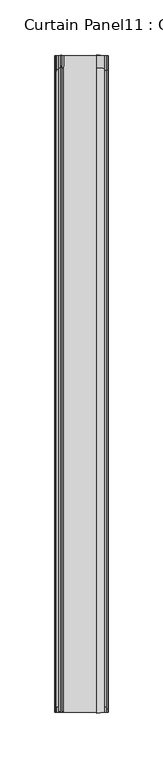
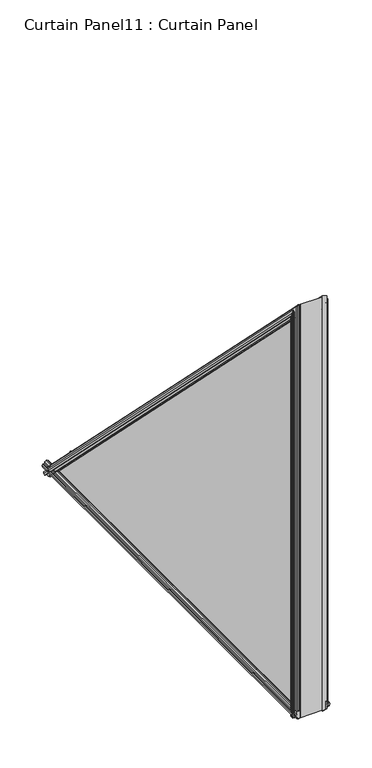
"""IFC4 building model written with IfcOpenShell, lengths in millimetres: plate geometry, Curtain Panel11 : Curtain Panel."""

from ifc_helpers import new_model, si_unit, point, frame, frame_2d, origin, place, context, project, spatial, polyline, circle_curve, ellipse_curve, trimmed, segment, composite_curve, outline, extrude, faceted_brep, source, transform, mapped, element, save
from ifc_brep_helpers import plane_surface, cylinder_surface, advanced_brep


def curtain_panel11_curtain_panel_47724803(model_context):
    return source(origin(), model_context, "Body", "SolidModel", [
        extrude(outline(polyline([(1683.2265255, -5186.9339704), (1684.4190255, -5193.6649704), (1670.9088255, -5193.6649704), (1672.1013255, -5186.9339704), (1676.3939255, -5186.9339704), (1676.8765255, -5184.2161704), (1675.3271255, -5184.4701704), (1675.3271255, -5183.6573704), (1677.6639255, -5183.2509704), (1680.0007255, -5183.6573704), (1680.0007255, -5184.4701704), (1678.4513255, -5184.2161704), (1678.9339255, -5186.9339704), (1683.2265255, -5186.9339704)])), frame((0.0, 5111.3187652, 0.0), z_axis=(0.0, 1.0, 0.0), x_axis=(0.0, 0.0, 1.0)), (0.0, 0.0, 1.0), 601.7704697),
        extrude(outline(composite_curve([segment(polyline([(1671.7897384, -5225.529536), (1672.1520128, -5223.8147704), (1681.7024128, -5223.8147704), (1682.0646872, -5225.529536)]), True, "CONTINUOUS"), segment(trimmed(circle_curve(frame_2d((1682.0834128, -5226.1896704)), 0.6604), [point((1682.0646872, -5225.529536))], [point((1682.1043263, -5226.8497392))], False, "CARTESIAN"), True, "CONTINUOUS"), segment(polyline([(1682.1043263, -5226.8497392), (1681.7024128, -5228.5645704), (1678.1972128, -5228.5645704), (1677.7146128, -5231.2823704), (1679.2640128, -5231.0283704), (1679.2640128, -5231.8411704), (1676.9272128, -5232.2475704), (1674.5904128, -5231.8411704), (1674.5904128, -5231.0283704), (1676.1398128, -5231.2823704), (1675.6572128, -5228.5645704), (1672.1520128, -5228.5645704), (1671.7500992, -5226.8497392)]), True, "CONTINUOUS"), segment(trimmed(circle_curve(frame_2d((1671.7710128, -5226.1896704)), 0.6604), [point((1671.7500992, -5226.8497392))], [point((1671.7897384, -5225.529536))], False, "CARTESIAN"), True, "CONTINUOUS")], self_intersect=False)), frame((0.0, 5111.3187652, 0.0), z_axis=(0.0, 1.0, 0.0), x_axis=(0.0, 0.0, 1.0)), (0.0, 0.0, 1.0), 601.7704697),
        advanced_brep(
        [(-5231.4217652, 5116.2080035, 1672.0963604), (-5231.1434642, 5114.6296803, 1672.0963604), (-5231.9562642, 5114.6296803, 1672.0963604), (-5232.3626642, 5116.9664786, 1672.0963604), (-5231.9562642, 5119.303277, 1672.0963604), (-5231.1434642, 5119.303277, 1672.0963604), (-5231.3974642, 5117.7538781, 1672.0963604), (-5228.6796642, 5118.2364778, 1672.0963604), (-5228.6796642, 5121.7416753, 1672.0963604), (-5226.9649969, 5122.1375374, 1672.0963604), (-5225.6446297, 5122.1039495, 1672.0963604), (-5223.9298642, 5121.7416753, 1672.0963604), (-5223.9298642, 5112.191282, 1672.0963604), (-5225.6446297, 5111.8290078, 1672.0963604), (-5226.9649969, 5111.7954199, 1672.0963604), (-5228.6796642, 5112.191282, 1672.0963604), (-5228.6796642, 5115.7244972, 1672.0963604), (-5231.4217652, 5709.6320213, 1668.6391468), (-5228.6796642, 5709.9739119, 1668.9810375), (-5228.6796642, 5712.4722723, 1671.4793979), (-5226.9649969, 5712.7521891, 1671.7593147), (-5225.6446297, 5712.7284389, 1671.7355644), (-5223.9298642, 5712.4722723, 1671.4793979), (-5223.9298642, 5705.7191245, 1664.72625), (-5225.6446297, 5705.4629579, 1664.4700835), (-5226.9649969, 5705.4392077, 1664.4463332), (-5228.6796642, 5705.7191245, 1664.72625), (-5228.6796642, 5708.1976734, 1667.204799), (-5231.3974642, 5708.5389229, 1667.5460485), (-5231.1434642, 5707.4433324, 1666.450458), (-5231.9562642, 5707.4433324, 1666.450458), (-5232.3626642, 5709.0956984, 1668.102824), (-5231.9562642, 5710.7480644, 1669.7551899), (-5231.1434642, 5710.7480644, 1669.7551899), (-5231.1434642, 5114.6296803, 2265.873574), (-5231.4217652, 5116.2080035, 2262.0631646), (-5231.9562642, 5114.6296803, 2265.873574), (-5232.3626642, 5116.9664786, 2260.2320437), (-5231.9562642, 5119.303277, 2254.5905134), (-5231.1434642, 5119.303277, 2254.5905134), (-5231.3974642, 5117.7538781, 2258.3310933), (-5228.6796642, 5118.2364778, 2257.1659946), (-5226.9649969, 5122.1375374, 2247.7480034), (-5228.6796642, 5121.7416753, 2248.7036992), (-5225.6446297, 5122.1039495, 2247.829092), (-5223.9298642, 5121.7416753, 2248.7036992), (-5225.6446297, 5111.8290078, 2272.6349954), (-5223.9298642, 5112.191282, 2271.7603882), (-5226.9649969, 5111.7954199, 2272.716084), (-5228.6796642, 5112.191282, 2271.7603882), (-5228.6796642, 5115.7244972, 2263.2304522)],
        [
            (0, 1),
            (1, 2),
            (2, 3),
            (3, 4),
            (4, 5),
            (5, 6),
            (6, 7),
            (7, 8),
            (8, 9),
            (9, 10, circle_curve(frame((-5226.3047642, 5122.122675, 1672.0963604), z_axis=(0.0, 0.0, -1.0), x_axis=(-1.0, 0.0, 0.0)), 0.6604)),
            (10, 11),
            (11, 12),
            (12, 13),
            (13, 14, circle_curve(frame((-5226.3047642, 5111.8102823, 1672.0963604), z_axis=(0.0, 0.0, -1.0), x_axis=(-1.0, 0.0, 0.0)), 0.6604)),
            (14, 15),
            (15, 16),
            (16, 0),
            (17, 18),
            (18, 19),
            (19, 20),
            (20, 21, circle_curve(frame((-5226.3047642, 5712.7416798, 1671.7488054), z_axis=(0.0, 0.7071067811865549, -0.7071067811865401), x_axis=(-1.0, 0.0, 0.0)), 0.6604)),
            (21, 22),
            (22, 23),
            (23, 24),
            (24, 25, circle_curve(frame((-5226.3047642, 5705.449717, 1664.4568425), z_axis=(0.0, 0.7071067811865549, -0.7071067811865401), x_axis=(-1.0, 0.0, 0.0)), 0.6604)),
            (25, 26),
            (26, 27),
            (27, 28),
            (28, 29),
            (29, 30),
            (30, 31),
            (31, 32),
            (32, 33),
            (33, 17),
            (34, 35),
            (35, 17),
            (33, 34),
            (36, 34),
            (32, 36),
            (37, 36),
            (31, 37),
            (38, 37),
            (30, 38),
            (39, 38),
            (29, 39),
            (40, 39),
            (28, 40),
            (41, 40),
            (27, 41),
            (42, 43),
            (43, 26),
            (25, 42),
            (44, 42, ellipse_curve(frame((-5226.3047642, 5122.122675, 2247.7838845), z_axis=(0.0, 0.9238795325112846, 0.3826834323650946), x_axis=(0.0, -0.3826834323650946, 0.9238795325112847)), 1.7257084, 0.6604)),
            (24, 44),
            (45, 44),
            (23, 45),
            (46, 47),
            (47, 22),
            (21, 46),
            (48, 46, ellipse_curve(frame((-5226.3047642, 5111.8102823, 2272.6802029), z_axis=(0.0, 0.9238795325112846, 0.3826834323650946), x_axis=(0.0, -0.3826834323650946, 0.9238795325112847)), 1.7257084, 0.6604)),
            (20, 48),
            (49, 48),
            (19, 49),
            (35, 50),
            (50, 18),
            (0, 35),
            (34, 1),
            (36, 2),
            (37, 3),
            (38, 4),
            (39, 5),
            (40, 6),
            (41, 7),
            (43, 8),
            (42, 9),
            (44, 10),
            (45, 11),
            (47, 12),
            (46, 13),
            (48, 14),
            (49, 15),
            (50, 16),
        ],
        [
            plane_surface(frame((-5223.9425642, 5111.3187652, 1672.0963604), z_axis=(0.0, 0.0, -1.0), x_axis=(-1.0, 0.0, 0.0))),
            plane_surface(frame((-5223.9425642, 5713.0892349, 1672.0963604), z_axis=(0.0, 0.7071067811865547, -0.7071067811865404), x_axis=(-1.0, 0.0, 0.0))),
            plane_surface(frame((-5231.4217652, 5116.2080035, 2262.0631646), z_axis=(0.984807753012193, -0.12278780396903337, -0.12278780396903421), x_axis=(0.0, 0.7071067811865551, -0.7071067811865399))),
            plane_surface(frame((-5231.1434642, 5114.6296803, 2265.873574), z_axis=(0.0, 0.70710678118654, 0.7071067811865551), x_axis=(0.0, 0.7071067811865551, -0.70710678118654))),
            plane_surface(frame((-5231.9562642, 5114.6296803, 2265.873574), z_axis=(-0.9852117345923344, 0.12115658880466175, 0.12115658880466257), x_axis=(0.0, 0.7071067811865551, -0.70710678118654))),
            plane_surface(frame((-5232.3626642, 5116.9664786, 2260.2320437), z_axis=(-0.9852117345923413, -0.12115658880463163, -0.12115658880463565), x_axis=(0.0, 0.707106781186554, -0.7071067811865411))),
            plane_surface(frame((-5231.9562642, 5119.303277, 2254.5905134), z_axis=(0.0, -0.70710678118654, -0.707106781186555), x_axis=(0.0, 0.707106781186555, -0.70710678118654))),
            plane_surface(frame((-5231.1434642, 5119.303277, 2254.5905134), z_axis=(0.9868276470441842, 0.11439229657026304, 0.11439229657026727), x_axis=(0.0, 0.707106781186555, -0.70710678118654))),
            plane_surface(frame((-5231.3974642, 5117.7538781, 2258.3310933), z_axis=(-0.1748349918844013, -0.6962157444401708, -0.6962157444401847), x_axis=(0.0, 0.7071067811865546, -0.7071067811865406))),
            plane_surface(frame((-5228.6796642, 5121.7416753, 2248.7036992), z_axis=(-0.22495105434371432, -0.6889836801948329, -0.6889836801948475), x_axis=(0.0, 0.7071067811865548, -0.7071067811865404))),
            cylinder_surface(frame((-5226.3047642, 5103.6792473, 2266.2273123), z_axis=(0.0, -0.7071067811865549, 0.7071067811865401), x_axis=(-1.0, 0.0, 0.0)), 0.6604),
            plane_surface(frame((-5225.6446297, 5122.1039495, 2247.829092), z_axis=(0.2067047901404534, -0.6918356487392698, -0.6918356487392832), x_axis=(0.0, 0.7071067811865546, -0.7071067811865405))),
            plane_surface(frame((-5223.9298642, 5112.191282, 2271.7603882), z_axis=(0.20670479098948935, 0.6918356486124332, 0.6918356486124472), x_axis=(0.0, 0.7071067811865545, -0.7071067811865407))),
            cylinder_surface(frame((-5226.3047642, 5110.9712101, 2273.5192751), z_axis=(0.0, -0.7071067811865549, 0.7071067811865401), x_axis=(-1.0, 0.0, 0.0)), 0.6604),
            plane_surface(frame((-5226.9649969, 5111.7954199, 2272.716084), z_axis=(-0.22495105434392404, 0.6889836801947989, 0.6889836801948128), x_axis=(0.0, 0.7071067811865549, -0.7071067811865402))),
            plane_surface(frame((-5228.6796642, 5115.7244972, 2263.2304522), z_axis=(-0.17364817766687712, 0.6963642403200186, 0.6963642403200327), x_axis=(0.0, 0.7071067811865548, -0.7071067811865402))),
            plane_surface(frame((-5231.4217652, 5116.2080035, 1672.0963604), z_axis=(0.9848077530121935, 0.17364817766701346, 0.0), x_axis=(0.0, 0.0, 1.0))),
            plane_surface(frame((-5231.1434642, 5114.6296803, 1672.0963604), z_axis=(0.0, -1.0, 0.0), x_axis=(0.0, 0.0, 1.0))),
            plane_surface(frame((-5231.9562642, 5114.6296803, 1672.0963604), z_axis=(-0.9852117345923348, -0.17134129105841045, 0.0), x_axis=(0.0, 0.0, 1.0))),
            plane_surface(frame((-5232.3626642, 5116.9664786, 1672.0963604), z_axis=(-0.9852117345923408, 0.17134129105837617, 0.0), x_axis=(0.0, 0.0, 1.0))),
            plane_surface(frame((-5231.9562642, 5119.303277, 1672.0963604), z_axis=(0.0, 1.0, 0.0), x_axis=(0.0, 0.0, 1.0))),
            plane_surface(frame((-5231.1434642, 5119.303277, 1672.0963604), z_axis=(0.9868276470441838, -0.16177513724067727, 0.0), x_axis=(0.0, 0.0, 1.0))),
            plane_surface(frame((-5231.3974642, 5117.7538781, 1672.0963604), z_axis=(-0.17483499188439824, 0.9845977481249805, 0.0), x_axis=(0.0, 0.0, 1.0))),
            plane_surface(frame((-5228.6796642, 5118.2364778, 1672.0963604), z_axis=(-1.0, 0.0, 0.0), x_axis=(0.0, 0.0, 1.0))),
            plane_surface(frame((-5228.6796642, 5121.7416753, 1672.0963604), z_axis=(-0.22495105434371132, 0.9743700647852708, 0.0), x_axis=(0.0, 0.0, 1.0))),
            cylinder_surface(frame((-5226.3047642, 5122.122675, 1672.0963604), z_axis=(0.0, 0.0, -1.0), x_axis=(-1.0, 0.0, 0.0)), 0.6604),
            plane_surface(frame((-5225.6446297, 5122.1039495, 1672.0963604), z_axis=(0.20670479014045645, 0.9784033573802728, 0.0), x_axis=(0.0, 0.0, 1.0))),
            plane_surface(frame((-5223.9298642, 5121.7416753, 1672.0963604), z_axis=(1.0, 0.0, 0.0), x_axis=(0.0, 0.0, 1.0))),
            plane_surface(frame((-5223.9298642, 5112.191282, 1672.0963604), z_axis=(0.20670479098948638, -0.9784033572009005, 0.0), x_axis=(0.0, 0.0, 1.0))),
            cylinder_surface(frame((-5226.3047642, 5111.8102823, 1672.0963604), z_axis=(0.0, 0.0, -1.0), x_axis=(-1.0, 0.0, 0.0)), 0.6604),
            plane_surface(frame((-5226.9649969, 5111.7954199, 1672.0963604), z_axis=(-0.22495105434392712, -0.9743700647852209, 0.0), x_axis=(0.0, 0.0, 1.0))),
            plane_surface(frame((-5228.6796642, 5112.191282, 1672.0963604), z_axis=(-1.0, 0.0, 0.0), x_axis=(0.0, 0.0, 1.0))),
            plane_surface(frame((-5228.6796642, 5115.7244972, 1672.0963604), z_axis=(-0.17364817766688018, -0.984807753012217, 0.0), x_axis=(0.0, 0.0, 1.0))),
        ],
        [
            (0, [[1, 2, 3, 4, 5, 6, 7, 8, 9, 10, 11, 12, 13, 14, 15, 16, 17]]),
            (1, [[18, 19, 20, 21, 22, 23, 24, 25, 26, 27, 28, 29, 30, 31, 32, 33, 34]]),
            (2, [[35, 36, -34, 37]]),
            (3, [[38, -37, -33, 39]]),
            (4, [[40, -39, -32, 41]]),
            (5, [[42, -41, -31, 43]]),
            (6, [[44, -43, -30, 45]]),
            (7, [[46, -45, -29, 47]]),
            (8, [[48, -47, -28, 49]]),
            (9, [[50, 51, -26, 52]]),
            (10, [[53, -52, -25, 54]]),
            (11, [[55, -54, -24, 56]]),
            (12, [[57, 58, -22, 59]]),
            (13, [[60, -59, -21, 61]]),
            (14, [[62, -61, -20, 63]]),
            (15, [[64, 65, -18, -36]]),
            (16, [[-1, 66, -35, 67]]),
            (17, [[-2, -67, -38, 68]]),
            (18, [[-3, -68, -40, 69]]),
            (19, [[-4, -69, -42, 70]]),
            (20, [[-5, -70, -44, 71]]),
            (21, [[-6, -71, -46, 72]]),
            (22, [[-7, -72, -48, 73]]),
            (23, [[-8, -73, -49, -27, -51, 74]]),
            (24, [[-9, -74, -50, 75]]),
            (25, [[-10, -75, -53, 76]]),
            (26, [[-11, -76, -55, 77]]),
            (27, [[-12, -77, -56, -23, -58, 78]]),
            (28, [[-13, -78, -57, 79]]),
            (29, [[-14, -79, -60, 80]]),
            (30, [[-15, -80, -62, 81]]),
            (31, [[-16, -81, -63, -19, -65, 82]]),
            (32, [[-17, -82, -64, -66]]),
        ],
    ),
        faceted_brep([(-5184.3069632, 5116.2080035, 1672.0963604), (-5187.0490642, 5115.7244972, 1672.0963604), (-5187.0490642, 5111.3784826, 1672.0963604), (-5193.7419642, 5110.2144991, 1672.0963604), (-5193.7419642, 5123.6792735, 1672.0963604), (-5187.0490642, 5122.4908155, 1672.0963604), (-5187.0490642, 5118.2364778, 1672.0963604), (-5184.3312642, 5117.7538781, 1672.0963604), (-5184.5852642, 5119.303277, 1672.0963604), (-5183.7724642, 5119.303277, 1672.0963604), (-5183.3660642, 5116.9664786, 1672.0963604), (-5183.7724642, 5114.6296803, 1672.0963604), (-5184.5852642, 5114.6296803, 1672.0963604), (-5184.3069632, 5709.6320213, 1668.6391468), (-5184.5852642, 5710.7480644, 1669.7551899), (-5183.7724642, 5710.7480644, 1669.7551899), (-5183.3660642, 5709.0956984, 1668.102824), (-5183.7724642, 5707.4433324, 1666.450458), (-5184.5852642, 5707.4433324, 1666.450458), (-5184.3312642, 5708.5389229, 1667.5460485), (-5187.0490642, 5708.1976734, 1667.204799), (-5187.0490642, 5705.1894024, 1664.1965279), (-5193.7419642, 5704.3490356, 1663.3561612), (-5193.7419642, 5713.8700689, 1672.8771945), (-5187.0490642, 5713.0470083, 1672.0541339), (-5187.0490642, 5709.9739119, 1668.9810375), (-5187.0490642, 5115.7244972, 2263.2304522), (-5184.3069632, 5116.2080035, 2262.0631646), (-5193.7419642, 5110.2144991, 2276.5327642), (-5187.0490642, 5111.3784826, 2273.7226597), (-5187.0490642, 5122.4908155, 2246.8951148), (-5193.7419642, 5123.6792735, 2244.0259233), (-5184.3312642, 5117.7538781, 2258.3310933), (-5187.0490642, 5118.2364778, 2257.1659946), (-5184.5852642, 5119.303277, 2254.5905134), (-5183.7724642, 5119.303277, 2254.5905134), (-5183.3660642, 5116.9664786, 2260.2320437), (-5183.7724642, 5114.6296803, 2265.873574), (-5184.5852642, 5114.6296803, 2265.873574)], [[[0, 1, 2, 3, 4, 5, 6, 7, 8, 9, 10, 11, 12]], [[13, 14, 15, 16, 17, 18, 19, 20, 21, 22, 23, 24, 25]], [[26, 27, 13, 25]], [[28, 29, 24, 23]], [[30, 31, 22, 21]], [[32, 33, 20, 19]], [[34, 32, 19, 18]], [[35, 34, 18, 17]], [[36, 35, 17, 16]], [[37, 36, 16, 15]], [[38, 37, 15, 14]], [[27, 38, 14, 13]], [[1, 0, 27, 26]], [[2, 1, 26, 25, 24, 29]], [[3, 2, 29, 28]], [[4, 3, 28, 23, 22, 31]], [[5, 4, 31, 30]], [[6, 5, 30, 21, 20, 33]], [[7, 6, 33, 32]], [[8, 7, 32, 34]], [[9, 8, 34, 35]], [[10, 9, 35, 36]], [[11, 10, 36, 37]], [[12, 11, 37, 38]], [[0, 12, 38, 27]]]),
        extrude(outline(polyline([(5111.3187652, 1672.0963604), (5111.3187652, 2273.8668302), (5713.0892349, 1672.0963604), (5111.3187652, 1672.0963604)])), frame((-5223.9425642, 0.0, 0.0), z_axis=(1.0, 0.0, 0.0), x_axis=(0.0, 1.0, 0.0)), (0.0, 0.0, 1.0), 30.1625),
    ])


if __name__ == "__main__":
    model = new_model("IFC4")
    model_context = context("Model", 3, world=origin())
    ifc_project = project(units=[si_unit("LENGTHUNIT", "METRE", prefix="MILLI")], contexts=[model_context])
    site = spatial("IfcSite", under=ifc_project)
    building = spatial("IfcBuilding", under=site)
    placement = place(None, origin())
    curtain_panel11_curtain_panel_shape = curtain_panel11_curtain_panel_47724803(model_context)
    element("IfcPlate", 1, ObjectType="Curtain Panel11 : Curtain Panel", at=placement, inside=building, context=model_context, shape_type="MappedRepresentation", body=[
        mapped(curtain_panel11_curtain_panel_shape, transform((0.0, 0.0, 0.0), x_axis=(1.0, 0.0, 0.0), y_axis=(0.0, 1.0, 0.0), z_axis=(0.0, 0.0, 1.0))),
    ])
    save(model, "model.ifc")
